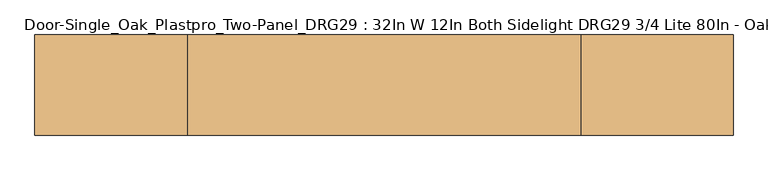
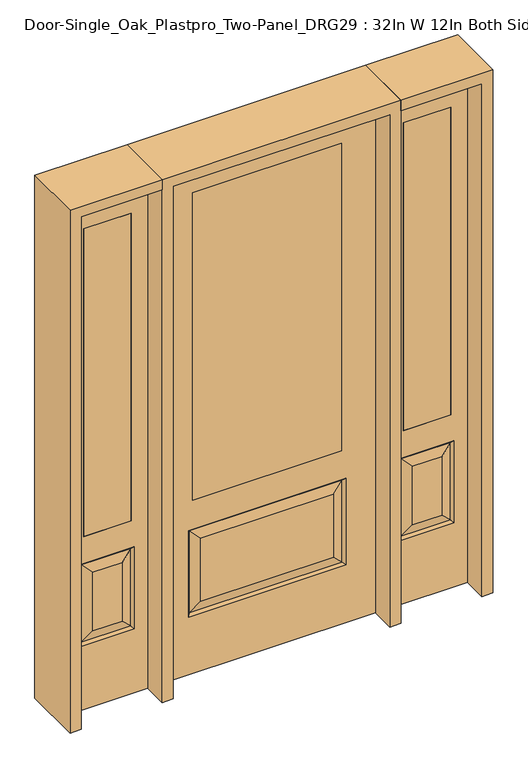
"""IFC4 building model written with IfcOpenShell, lengths in millimetres: door geometry, Door-Single_Oak_Plastpro_Two-Panel_DRG29 : 32In W 12In Both Sidelight DRG29 3/4 Lite 80In - Oak."""

from ifc_helpers import new_model, si_unit, frame, origin, place, context, project, spatial, polyline, outline, extrude, faceted_brep, source, transform, mapped, element, save


def door_single_oak_plastpro_two_panel_drg29_32in_w_12in_both_d68285d0(model_context):
    return source(origin(), model_context, "Body", "SolidModel", [
        extrude(outline(polyline([(-279.4, -20.6375), (-279.4, 20.6375), (279.4, 20.6375), (279.4, -20.6375), (-279.4, -20.6375)])), frame((0.0, 0.0, 685.8), z_axis=(0.0, 0.0, 1.0), x_axis=(1.0, 0.0, 0.0)), (0.0, 0.0, 1.0), 1219.2),
        faceted_brep([(-249.1224548, -20.6375, 274.7525452), (249.1224548, -20.6375, 274.7525452), (249.1224548, -20.6375, 525.3474548), (-249.1224548, -20.6375, 525.3474548), (406.4, -20.6375, 2032.0), (-406.4, -20.6375, 2032.0), (-406.4, -20.6375, 0.0), (406.4, -20.6375, 0.0), (295.1599548, -20.6375, 228.7150452), (-295.1599548, -20.6375, 228.7150452), (-295.1599548, -20.6375, 571.3849548), (295.1599548, -20.6375, 571.3849548), (-279.4, -20.6375, 1905.0), (279.4, -20.6375, 1905.0), (279.4, -20.6375, 685.8), (-279.4, -20.6375, 685.8), (-279.4, 20.6375, 1905.0), (-279.4, 20.6375, 685.8), (279.4, 20.6375, 685.8), (249.1224548, 20.6375, 274.7525452), (-249.1224548, 20.6375, 274.7525452), (-249.1224548, 20.6375, 525.3474548), (249.1224548, 20.6375, 525.3474548), (-406.4, 20.6375, 2032.0), (406.4, 20.6375, 2032.0), (406.4, 20.6375, 0.0), (-406.4, 20.6375, 0.0), (-295.1599548, 20.6375, 228.7150452), (295.1599548, 20.6375, 228.7150452), (295.1599548, 20.6375, 571.3849548), (-295.1599548, 20.6375, 571.3849548), (279.4, 20.6375, 1905.0), (286.1796986, -11.6572439, 237.6953014), (-286.1796986, -11.6572439, 237.6953014), (-286.1796986, -11.6572439, 562.4046986), (286.1796986, -11.6572439, 562.4046986), (286.1796986, 11.6572439, 237.6953014), (-286.1796986, 11.6572439, 237.6953014), (-286.1796986, 11.6572439, 562.4046986), (286.1796986, 11.6572439, 562.4046986)], [[[0, 1, 2, 3]], [[4, 5, 6, 7], [8, 9, 10, 11], [12, 13, 14, 15]], [[16, 12, 15, 17]], [[17, 15, 14, 18]], [[19, 20, 21, 22]], [[23, 24, 25, 26], [27, 28, 29, 30], [31, 16, 17, 18]], [[13, 31, 18, 14]], [[6, 26, 25, 7]], [[5, 23, 26, 6]], [[24, 4, 7, 25]], [[32, 33, 9, 8]], [[9, 33, 34, 10]], [[10, 34, 35, 11]], [[32, 8, 11, 35]], [[33, 32, 1, 0]], [[1, 32, 35, 2]], [[34, 3, 2, 35]], [[33, 0, 3, 34]], [[36, 37, 20, 19]], [[20, 37, 38, 21]], [[21, 38, 39, 22]], [[36, 19, 22, 39]], [[37, 36, 28, 27]], [[28, 36, 39, 29]], [[38, 30, 29, 39]], [[37, 27, 30, 38]], [[12, 16, 31, 13]], [[5, 4, 24, 23]]]),
        extrude(outline(polyline([(688.975, -20.6375), (511.175, -20.6375), (511.175, 20.6375), (688.975, 20.6375), (688.975, -20.6375)])), frame((0.0, 0.0, 685.8), z_axis=(0.0, 0.0, 1.0), x_axis=(1.0, 0.0, 0.0)), (0.0, 0.0, 1.0), 1219.2),
        faceted_brep([(688.975, -20.6375, 1905.0), (511.175, -20.6375, 1905.0), (511.175, 20.6375, 1905.0), (688.975, 20.6375, 1905.0), (655.5224548, -20.6375, 531.6974548), (544.6275452, -20.6375, 531.6974548), (544.6275452, -20.6375, 300.1525452), (655.5224548, -20.6375, 300.1525452), (447.675, -20.6375, 2032.0), (447.675, -20.6375, 0.0), (752.475, -20.6375, 0.0), (752.475, -20.6375, 2032.0), (688.975, -20.6375, 685.8), (511.175, -20.6375, 685.8), (701.5599548, -20.6375, 254.1150452), (498.5900452, -20.6375, 254.1150452), (498.5900452, -20.6375, 577.7349548), (701.5599548, -20.6375, 577.7349548), (692.5796986, 11.6572439, 568.7546986), (701.5599548, 20.6375, 577.7349548), (701.5599548, 20.6375, 254.1150452), (692.5796986, 11.6572439, 263.0953014), (507.5703014, 11.6572439, 568.7546986), (498.5900452, 20.6375, 577.7349548), (655.5224548, 20.6375, 300.1525452), (655.5224548, 20.6375, 531.6974548), (688.975, 20.6375, 685.8), (511.175, 20.6375, 685.8), (507.5703014, -11.6572439, 263.0953014), (692.5796986, -11.6572439, 263.0953014), (507.5703014, -11.6572439, 568.7546986), (692.5796986, -11.6572439, 568.7546986), (447.675, 20.6375, 2032.0), (752.475, 20.6375, 2032.0), (447.675, 20.6375, 0.0), (752.475, 20.6375, 0.0), (498.5900452, 20.6375, 254.1150452), (544.6275452, 20.6375, 300.1525452), (544.6275452, 20.6375, 531.6974548), (507.5703014, 11.6572439, 263.0953014)], [[[0, 1, 2, 3]], [[4, 5, 6, 7]], [[8, 9, 10, 11], [0, 12, 13, 1], [14, 15, 16, 17]], [[18, 19, 20, 21]], [[18, 22, 23, 19]], [[21, 24, 25, 18]], [[26, 27, 13, 12]], [[7, 6, 28, 29]], [[6, 5, 30, 28]], [[29, 14, 17, 31]], [[32, 8, 11, 33]], [[34, 35, 10, 9]], [[32, 34, 9, 8]], [[11, 10, 35, 33]], [[33, 35, 34, 32], [19, 23, 36, 20], [2, 27, 26, 3]], [[24, 37, 38, 25]], [[20, 36, 39, 21]], [[36, 23, 22, 39]], [[25, 38, 22, 18]], [[39, 22, 38, 37]], [[21, 39, 37, 24]], [[3, 26, 12, 0]], [[1, 13, 27, 2]], [[31, 4, 7, 29]], [[31, 30, 5, 4]], [[17, 16, 30, 31]], [[28, 30, 16, 15]], [[29, 28, 15, 14]]]),
        extrude(outline(polyline([(-688.975, -20.6375), (-688.975, 20.6375), (-511.175, 20.6375), (-511.175, -20.6375), (-688.975, -20.6375)])), frame((0.0, 0.0, 685.8), z_axis=(0.0, 0.0, 1.0), x_axis=(1.0, 0.0, 0.0)), (0.0, 0.0, 1.0), 1219.2),
        faceted_brep([(-688.975, -20.6375, 1905.0), (-688.975, 20.6375, 1905.0), (-511.175, 20.6375, 1905.0), (-511.175, -20.6375, 1905.0), (-655.5224548, -20.6375, 531.6974548), (-655.5224548, -20.6375, 300.1525452), (-544.6275452, -20.6375, 300.1525452), (-544.6275452, -20.6375, 531.6974548), (-447.675, -20.6375, 2032.0), (-752.475, -20.6375, 2032.0), (-752.475, -20.6375, 0.0), (-447.675, -20.6375, 0.0), (-701.5599548, -20.6375, 254.1150452), (-701.5599548, -20.6375, 577.7349548), (-498.5900452, -20.6375, 577.7349548), (-498.5900452, -20.6375, 254.1150452), (-511.175, -20.6375, 685.8), (-688.975, -20.6375, 685.8), (-692.5796986, 11.6572439, 568.7546986), (-692.5796986, 11.6572439, 263.0953014), (-701.5599548, 20.6375, 254.1150452), (-701.5599548, 20.6375, 577.7349548), (-498.5900452, 20.6375, 577.7349548), (-507.5703014, 11.6572439, 568.7546986), (-655.5224548, 20.6375, 531.6974548), (-655.5224548, 20.6375, 300.1525452), (-688.975, 20.6375, 685.8), (-511.175, 20.6375, 685.8), (-692.5796986, -11.6572439, 263.0953014), (-507.5703014, -11.6572439, 263.0953014), (-507.5703014, -11.6572439, 568.7546986), (-692.5796986, -11.6572439, 568.7546986), (-447.675, 20.6375, 2032.0), (-752.475, 20.6375, 2032.0), (-447.675, 20.6375, 0.0), (-752.475, 20.6375, 0.0), (-498.5900452, 20.6375, 254.1150452), (-544.6275452, 20.6375, 531.6974548), (-544.6275452, 20.6375, 300.1525452), (-507.5703014, 11.6572439, 263.0953014)], [[[0, 1, 2, 3]], [[4, 5, 6, 7]], [[8, 9, 10, 11], [12, 13, 14, 15], [0, 3, 16, 17]], [[18, 19, 20, 21]], [[18, 21, 22, 23]], [[19, 18, 24, 25]], [[26, 17, 16, 27]], [[5, 28, 29, 6]], [[6, 29, 30, 7]], [[28, 31, 13, 12]], [[32, 33, 9, 8]], [[34, 11, 10, 35]], [[32, 8, 11, 34]], [[9, 33, 35, 10]], [[33, 32, 34, 35], [21, 20, 36, 22], [2, 1, 26, 27]], [[25, 24, 37, 38]], [[20, 19, 39, 36]], [[36, 39, 23, 22]], [[24, 18, 23, 37]], [[39, 38, 37, 23]], [[19, 25, 38, 39]], [[1, 0, 17, 26]], [[3, 2, 27, 16]], [[31, 28, 5, 4]], [[31, 4, 7, 30]], [[13, 31, 30, 14]], [[29, 15, 14, 30]], [[28, 12, 15, 29]]]),
        extrude(outline(polyline([(2032.0, -447.675), (2073.275, -447.675), (2073.275, -793.75), (0.0, -793.75), (0.0, -752.475), (2032.0, -752.475), (2032.0, -447.675)])), frame((0.0, -114.3, 0.0), z_axis=(0.0, 1.0, 0.0), x_axis=(0.0, 0.0, 1.0)), (0.0, 0.0, 1.0), 228.6),
        extrude(outline(polyline([(2073.275, -447.675), (0.0, -447.675), (0.0, -406.4), (2032.0, -406.4), (2032.0, 406.4), (0.0, 406.4), (0.0, 447.675), (2073.275, 447.675), (2073.275, -447.675)])), frame((0.0, -114.3, 0.0), z_axis=(0.0, 1.0, 0.0), x_axis=(0.0, 0.0, 1.0)), (0.0, 0.0, 1.0), 228.6),
        extrude(outline(polyline([(0.0, 752.475), (0.0, 793.75), (2073.275, 793.75), (2073.275, 447.675), (2032.0, 447.675), (2032.0, 752.475), (0.0, 752.475)])), frame((0.0, -114.3, 0.0), z_axis=(0.0, 1.0, 0.0), x_axis=(0.0, 0.0, 1.0)), (0.0, 0.0, 1.0), 228.6),
    ])


if __name__ == "__main__":
    model = new_model("IFC4")
    model_context = context("Model", 3, world=origin())
    ifc_project = project(units=[si_unit("LENGTHUNIT", "METRE", prefix="MILLI")], contexts=[model_context])
    site = spatial("IfcSite", under=ifc_project)
    building = spatial("IfcBuilding", under=site)
    placement = place(None, origin())
    door_single_oak_plastpro_two_panel_drg29_32in_w_12in_both_shape = door_single_oak_plastpro_two_panel_drg29_32in_w_12in_both_d68285d0(model_context)
    element("IfcDoor", 1, ObjectType="Door-Single_Oak_Plastpro_Two-Panel_DRG29 : 32In W 12In Both Sidelight DRG29 3/4 Lite 80In - Oak", at=placement, inside=building, context=model_context, shape_type="MappedRepresentation", body=[
        mapped(door_single_oak_plastpro_two_panel_drg29_32in_w_12in_both_shape, transform((0.0, 0.0, 0.0), x_axis=(1.0, 0.0, 0.0), y_axis=(0.0, 1.0, 0.0), z_axis=(0.0, 0.0, 1.0))),
    ])
    save(model, "model.ifc")
